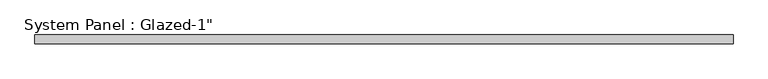
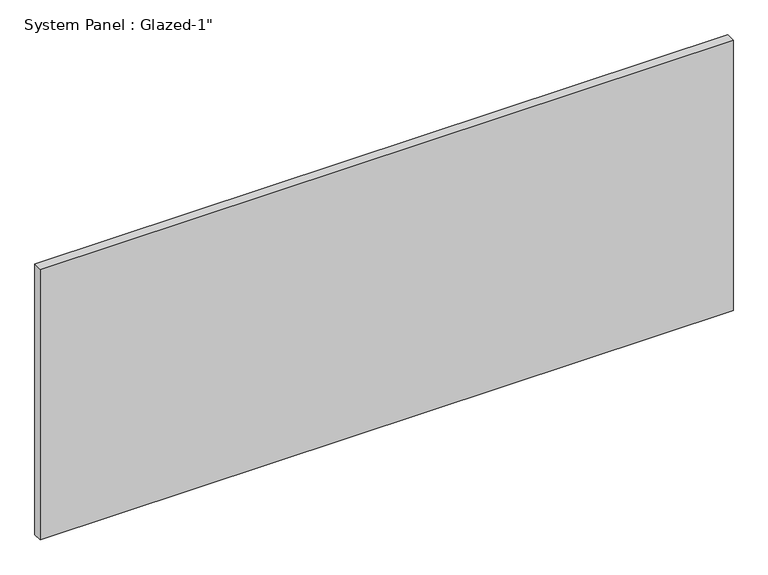
"""IFC4 building model written with IfcOpenShell, lengths in millimetres: plate geometry."""

from ifc_helpers import new_model, si_unit, origin, origin_with_axes, place, context, project, spatial, polyline, outline, extrude, source, transform, mapped, element, save


def plate_a00454cb(model_context):
    return source(origin(), model_context, "Body", "SweptSolid", [
        extrude(outline(polyline([(984.2508325, 25.4), (-984.2508325, 25.4), (-984.2508325, 50.8), (984.2508325, 50.8), (984.2508325, 25.4)])), origin_with_axes(), (0.0, 0.0, 1.0), 812.8),
    ])


if __name__ == "__main__":
    model = new_model("IFC4")
    model_context = context("Model", 3, world=origin())
    ifc_project = project(units=[si_unit("LENGTHUNIT", "METRE", prefix="MILLI")], contexts=[model_context])
    site = spatial("IfcSite", under=ifc_project)
    building = spatial("IfcBuilding", under=site)
    placement = place(None, origin())
    plate_shape = plate_a00454cb(model_context)
    element("IfcPlate", 1, ObjectType="System Panel : Glazed-1\"", at=placement, inside=building, context=model_context, shape_type="MappedRepresentation", body=[
        mapped(plate_shape, transform((0.0, 0.0, 0.0), x_axis=(1.0, 0.0, 0.0), y_axis=(0.0, 1.0, 0.0), z_axis=(0.0, 0.0, 1.0))),
    ])
    save(model, "model.ifc")
